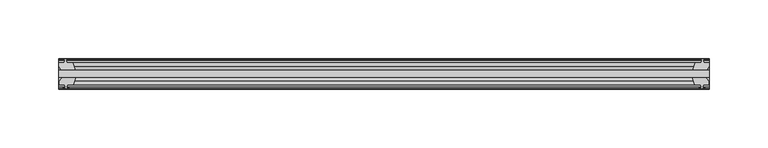
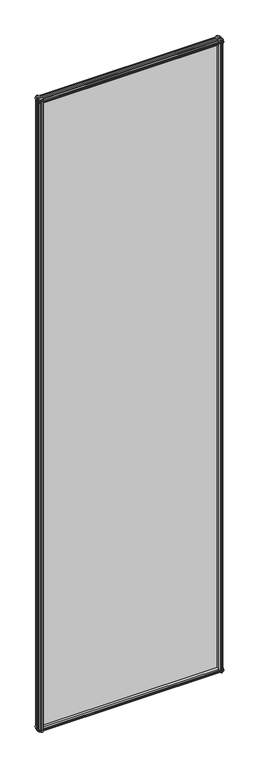
"""IFC4 building model written with IfcOpenShell, lengths in millimetres: plate geometry."""

from ifc_helpers import new_model, si_unit, frame, origin, place, context, project, spatial, polyline, outline, extrude, source, transform, mapped, element, save


def plate_be93daa3(model_context):
    return source(origin(), model_context, "Body", "SweptSolid", [
        extrude(outline(polyline([(-277.7684234, -19.5460937), (277.7684234, -19.5460937), (277.7684234, -25.8960937), (-277.7684234, -25.8960937), (-277.7684234, -19.5460937)])), frame((0.0, 0.0, -12.7), z_axis=(0.0, 0.0, 1.0), x_axis=(1.0, 0.0, 0.0)), (0.0, 0.0, 1.0), 2019.3),
        extrude(outline(polyline([(274.7937272, -25.8960937), (277.0064234, -29.2996938), (277.0064234, -32.2460938), (272.5614234, -32.2460938), (272.1804234, -34.6262907), (273.5959525, -34.1663575), (273.5959525, -34.9675717), (271.4184234, -35.6750938), (269.2408944, -34.9675717), (269.2408944, -34.1663575), (270.6564234, -34.6262907), (270.2754234, -32.2460938), (265.0684234, -32.2460938), (262.9631464, -25.8960937), (274.7937272, -25.8960937)])), frame((0.0, 0.0, -12.7), z_axis=(0.0, 0.0, 1.0), x_axis=(1.0, 0.0, 0.0)), (0.0, 0.0, 1.0), 2019.3),
        extrude(outline(polyline([(269.7615944, -10.4746158), (271.9391234, -9.7670938), (274.1166525, -10.4746158), (274.1166525, -11.27583), (272.7011234, -10.8158968), (273.0821234, -13.1960938), (277.5271234, -13.1960938), (277.5271234, -16.1424938), (275.3144272, -19.5460937), (263.4838464, -19.5460937), (265.5891234, -13.1960938), (270.7961234, -13.1960938), (271.1771234, -10.8158968), (269.7615944, -11.27583), (269.7615944, -10.4746158)])), frame((0.0, 0.0, -12.7), z_axis=(0.0, 0.0, 1.0), x_axis=(1.0, 0.0, 0.0)), (0.0, 0.0, 1.0), 2019.3),
        extrude(outline(polyline([(-262.9631464, -25.8960937), (-265.0684234, -32.2460937), (-270.2754234, -32.2460937), (-270.6564234, -34.6262907), (-269.2408944, -34.1663575), (-269.2408944, -34.9675717), (-271.4184234, -35.6750937), (-273.5959525, -34.9675717), (-273.5959525, -34.1663575), (-272.1804234, -34.6262907), (-272.5614234, -32.2460937), (-277.0064234, -32.2460937), (-277.0064234, -29.2996937), (-274.7937272, -25.8960937), (-262.9631464, -25.8960937)])), frame((0.0, 0.0, -12.7), z_axis=(0.0, 0.0, 1.0), x_axis=(1.0, 0.0, 0.0)), (0.0, 0.0, 1.0), 2019.3),
        extrude(outline(polyline([(-272.7011234, -10.8158968), (-274.1166525, -11.27583), (-274.1166525, -10.4746158), (-271.9391234, -9.7670937), (-269.7615944, -10.4746158), (-269.7615944, -11.27583), (-271.1771234, -10.8158968), (-270.7961234, -13.1960937), (-265.5891234, -13.1960937), (-263.4838464, -19.5460937), (-275.3144272, -19.5460937), (-277.5271234, -16.1424937), (-277.5271234, -13.1960937), (-273.0821234, -13.1960937), (-272.7011234, -10.8158968)])), frame((0.0, 0.0, -12.7), z_axis=(0.0, 0.0, 1.0), x_axis=(1.0, 0.0, 0.0)), (0.0, 0.0, 1.0), 2019.3),
        extrude(outline(polyline([(-13.1960937, 2006.3587), (-13.1960937, 2001.9137), (-10.8158968, 2001.5327), (-11.27583, 2002.9482291), (-10.4746158, 2002.9482291), (-9.7670937, 2000.7707), (-10.4746158, 1998.5931709), (-11.27583, 1998.5931709), (-10.8158968, 2000.0087), (-13.1960937, 1999.6277), (-13.1960937, 1994.4207), (-19.5460937, 1992.3154229), (-19.5460937, 2004.1460038), (-16.1424937, 2006.3587), (-13.1960937, 2006.3587)])), frame((-277.7684234, 0.0, 0.0), z_axis=(1.0, 0.0, 0.0), x_axis=(0.0, 1.0, 0.0)), (0.0, 0.0, 1.0), 555.5368468),
        extrude(outline(polyline([(-29.2996937, 2005.838), (-25.8960937, 2003.6253038), (-25.8960937, 1991.7947229), (-32.2460937, 1993.9), (-32.2460937, 1999.107), (-34.6262907, 1999.488), (-34.1663575, 1998.072471), (-34.9675717, 1998.072471), (-35.6750937, 2000.25), (-34.9675717, 2002.4275291), (-34.1663575, 2002.4275291), (-34.6262907, 2001.012), (-32.2460937, 2001.393), (-32.2460937, 2005.838), (-29.2996937, 2005.838)])), frame((-277.7684234, 0.0, 0.0), z_axis=(1.0, 0.0, 0.0), x_axis=(0.0, 1.0, 0.0)), (0.0, 0.0, 1.0), 555.5368468),
        extrude(outline(polyline([(-25.8960937, 2.1052771), (-25.8960937, -9.7253038), (-29.2996937, -11.938), (-32.2460937, -11.938), (-32.2460937, -7.493), (-34.6262907, -7.112), (-34.1663575, -8.5275291), (-34.9675717, -8.5275291), (-35.6750937, -6.35), (-34.9675717, -4.1724709), (-34.1663575, -4.1724709), (-34.6262907, -5.588), (-32.2460937, -5.207), (-32.2460937, 0.0), (-25.8960937, 2.1052771)])), frame((-277.7684234, 0.0, 0.0), z_axis=(1.0, 0.0, 0.0), x_axis=(0.0, 1.0, 0.0)), (0.0, 0.0, 1.0), 555.5368468),
        extrude(outline(polyline([(-19.5460937, 1.5845771), (-13.1960937, -0.5207), (-13.1960937, -5.7277), (-10.8158968, -6.1087), (-11.27583, -4.6931709), (-10.4746158, -4.6931709), (-9.7670937, -6.8707), (-10.4746158, -9.048229), (-11.27583, -9.048229), (-10.8158968, -7.6327), (-13.1960937, -8.0137), (-13.1960937, -12.4587), (-16.1424937, -12.4587), (-19.5460937, -10.2460038), (-19.5460937, 1.5845771)])), frame((-277.7684234, 0.0, 0.0), z_axis=(1.0, 0.0, 0.0), x_axis=(0.0, 1.0, 0.0)), (0.0, 0.0, 1.0), 555.5368468),
    ])


if __name__ == "__main__":
    model = new_model("IFC4")
    model_context = context("Model", 3, world=origin())
    ifc_project = project(units=[si_unit("LENGTHUNIT", "METRE", prefix="MILLI")], contexts=[model_context])
    site = spatial("IfcSite", under=ifc_project)
    building = spatial("IfcBuilding", under=site)
    placement = place(None, origin())
    plate_shape = plate_be93daa3(model_context)
    element("IfcPlate", 1, at=placement, inside=building, context=model_context, shape_type="MappedRepresentation", body=[
        mapped(plate_shape, transform((0.0, 0.0, 0.0), x_axis=(1.0, 0.0, 0.0), y_axis=(0.0, 1.0, 0.0), z_axis=(0.0, 0.0, 1.0))),
    ])
    save(model, "model.ifc")
